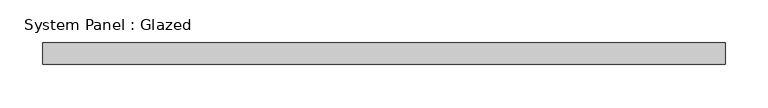
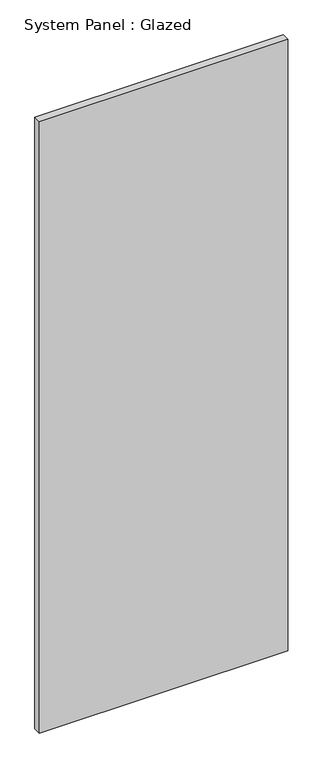
"""IFC4 building model written with IfcOpenShell, lengths in millimetres: plate geometry, System Panel : Glazed."""

from ifc_helpers import new_model, si_unit, origin, origin_with_axes, place, context, project, spatial, polyline, outline, extrude, source, transform, mapped, element, save


def system_panel_glazed_b5442e0c(model_context):
    return source(origin(), model_context, "Body", "SweptSolid", [
        extrude(outline(polyline([(399.0605998, 19.05), (-399.0605998, 19.05), (-399.0605998, 44.45), (399.0605998, 44.45), (399.0605998, 19.05)])), origin_with_axes(), (0.0, 0.0, 1.0), 2076.45),
    ])


if __name__ == "__main__":
    model = new_model("IFC4")
    model_context = context("Model", 3, world=origin())
    ifc_project = project(units=[si_unit("LENGTHUNIT", "METRE", prefix="MILLI")], contexts=[model_context])
    site = spatial("IfcSite", under=ifc_project)
    building = spatial("IfcBuilding", under=site)
    placement = place(None, origin())
    system_panel_glazed_shape = system_panel_glazed_b5442e0c(model_context)
    element("IfcPlate", 1, ObjectType="System Panel : Glazed", at=placement, inside=building, context=model_context, shape_type="MappedRepresentation", body=[
        mapped(system_panel_glazed_shape, transform((0.0, 0.0, 0.0), x_axis=(1.0, 0.0, 0.0), y_axis=(0.0, 1.0, 0.0), z_axis=(0.0, 0.0, 1.0))),
    ])
    save(model, "model.ifc")
